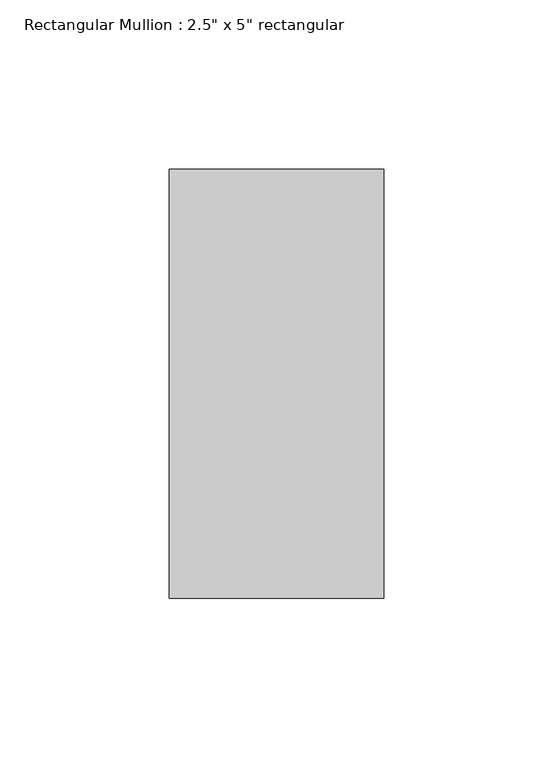
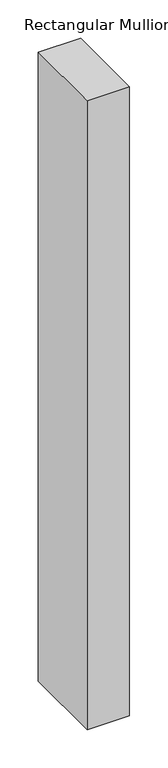
"""IFC4 building model written with IfcOpenShell, lengths in millimetres: member geometry."""

from ifc_helpers import new_model, si_unit, frame, origin, place, context, project, spatial, polyline, outline, extrude, source, transform, mapped, element, save


def member_0daabb75(model_context):
    return source(origin(), model_context, "Body", "SweptSolid", [
        extrude(outline(polyline([(31.75, 63.5), (31.75, -63.5), (-31.75, -63.5), (-31.75, 63.5), (31.75, 63.5)])), frame((0.0, 0.0, -1000.0), z_axis=(0.0, 0.0, 1.0), x_axis=(1.0, 0.0, 0.0)), (0.0, 0.0, 1.0), 1000.0),
    ])


if __name__ == "__main__":
    model = new_model("IFC4")
    model_context = context("Model", 3, world=origin())
    ifc_project = project(units=[si_unit("LENGTHUNIT", "METRE", prefix="MILLI")], contexts=[model_context])
    site = spatial("IfcSite", under=ifc_project)
    building = spatial("IfcBuilding", under=site)
    placement = place(None, origin())
    member_shape = member_0daabb75(model_context)
    element("IfcMember", 1, ObjectType="Rectangular Mullion : 2.5\" x 5\" rectangular", at=placement, inside=building, context=model_context, shape_type="MappedRepresentation", body=[
        mapped(member_shape, transform((0.0, 0.0, 0.0), x_axis=(1.0, 0.0, 0.0), y_axis=(0.0, 1.0, 0.0), z_axis=(0.0, 0.0, 1.0))),
    ])
    save(model, "model.ifc")
